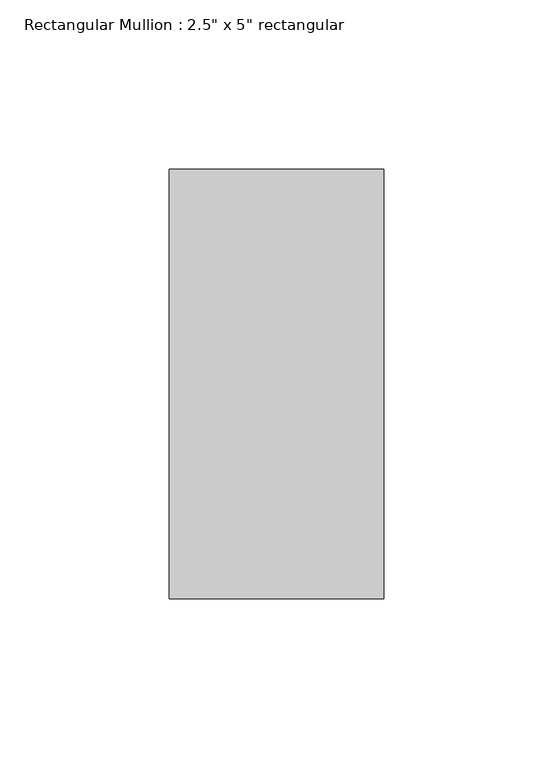
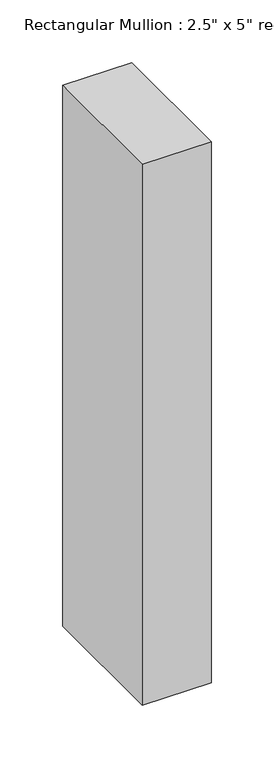
"""IFC4 building model written with IfcOpenShell, lengths in millimetres: member geometry."""

from ifc_helpers import new_model, si_unit, frame, origin, place, context, project, spatial, polyline, outline, extrude, source, transform, mapped, element, save


def member_3f1e2ae8(model_context):
    return source(origin(), model_context, "Body", "SweptSolid", [
        extrude(outline(polyline([(31.75, 63.5), (31.75, -63.5), (-31.75, -63.5), (-31.75, 63.5), (31.75, 63.5)])), frame((0.0, 0.0, -527.05), z_axis=(0.0, 0.0, 1.0), x_axis=(1.0, 0.0, 0.0)), (0.0, 0.0, 1.0), 527.05),
    ])


if __name__ == "__main__":
    model = new_model("IFC4")
    model_context = context("Model", 3, world=origin())
    ifc_project = project(units=[si_unit("LENGTHUNIT", "METRE", prefix="MILLI")], contexts=[model_context])
    site = spatial("IfcSite", under=ifc_project)
    building = spatial("IfcBuilding", under=site)
    placement = place(None, origin())
    member_shape = member_3f1e2ae8(model_context)
    element("IfcMember", 1, ObjectType="Rectangular Mullion : 2.5\" x 5\" rectangular", at=placement, inside=building, context=model_context, shape_type="MappedRepresentation", body=[
        mapped(member_shape, transform((0.0, 0.0, 0.0), x_axis=(1.0, 0.0, 0.0), y_axis=(0.0, 1.0, 0.0), z_axis=(0.0, 0.0, 1.0))),
    ])
    save(model, "model.ifc")
